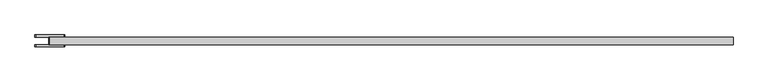
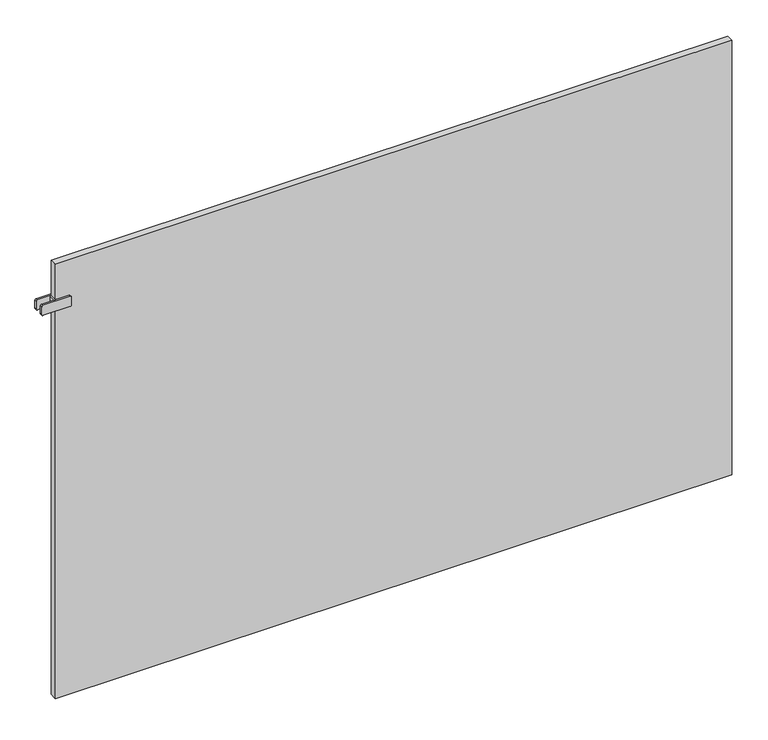
"""IFC4 building model written with IfcOpenShell, lengths in millimetres: plate geometry."""

from ifc_helpers import new_model, si_unit, point, frame, frame_2d, origin, origin_with_axes, place, context, project, spatial, polyline, circle_curve, trimmed, segment, composite_curve, outline, extrude, source, transform, mapped, element, save


def plate_bf5393bc(model_context):
    return source(origin(), model_context, "Body", "SweptSolid", [
        extrude(outline(polyline([(-797.5000001, -8.75), (-797.5000001, 8.75), (-792.5000001, 8.75), (-792.5000001, -8.75), (-797.5000001, -8.75)])), frame((0.0, 0.0, 966.5), z_axis=(0.0, 0.0, 1.0), x_axis=(1.0, 0.0, 0.0)), (0.0, 0.0, 1.0), 25.0),
        extrude(outline(composite_curve([segment(trimmed(circle_curve(frame_2d((969.5, -763.0000001)), 3.0), [point((966.5, -763.0000001))], [point((969.5, -760.0000001))], False, "CARTESIAN"), True, "CONTINUOUS"), segment(polyline([(969.5, -760.0000001), (988.5, -760.0000001)]), True, "CONTINUOUS"), segment(trimmed(circle_curve(frame_2d((988.5, -763.0000001)), 3.0), [point((988.5, -760.0000001))], [point((991.5, -763.0000001))], False, "CARTESIAN"), True, "CONTINUOUS"), segment(polyline([(991.5, -763.0000001), (991.5, -827.0000001)]), True, "CONTINUOUS"), segment(trimmed(circle_curve(frame_2d((988.5, -827.0000001)), 3.0), [point((991.5, -827.0000001))], [point((988.5, -830.0000001))], False, "CARTESIAN"), True, "CONTINUOUS"), segment(polyline([(988.5, -830.0000001), (969.5, -830.0000001)]), True, "CONTINUOUS"), segment(trimmed(circle_curve(frame_2d((969.5, -827.0000001)), 3.0), [point((969.5, -830.0000001))], [point((966.5, -827.0000001))], False, "CARTESIAN"), True, "CONTINUOUS"), segment(polyline([(966.5, -827.0000001), (966.5, -763.0000001)]), True, "CONTINUOUS")], self_intersect=False)), frame((0.0, 8.75, 0.0), z_axis=(0.0, 1.0, 0.0), x_axis=(0.0, 0.0, 1.0)), (0.0, 0.0, 1.0), 5.0),
        extrude(outline(composite_curve([segment(trimmed(circle_curve(frame_2d((969.5, -763.0000001)), 3.0), [point((966.5, -763.0000001))], [point((969.5, -760.0000001))], False, "CARTESIAN"), True, "CONTINUOUS"), segment(polyline([(969.5, -760.0000001), (988.5, -760.0000001)]), True, "CONTINUOUS"), segment(trimmed(circle_curve(frame_2d((988.5, -763.0000001)), 3.0), [point((988.5, -760.0000001))], [point((991.5, -763.0000001))], False, "CARTESIAN"), True, "CONTINUOUS"), segment(polyline([(991.5, -763.0000001), (991.5, -827.0000001)]), True, "CONTINUOUS"), segment(trimmed(circle_curve(frame_2d((988.5, -827.0000001)), 3.0), [point((991.5, -827.0000001))], [point((988.5, -830.0000001))], False, "CARTESIAN"), True, "CONTINUOUS"), segment(polyline([(988.5, -830.0000001), (969.5, -830.0000001)]), True, "CONTINUOUS"), segment(trimmed(circle_curve(frame_2d((969.5, -827.0000001)), 3.0), [point((969.5, -830.0000001))], [point((966.5, -827.0000001))], False, "CARTESIAN"), True, "CONTINUOUS"), segment(polyline([(966.5, -827.0000001), (966.5, -763.0000001)]), True, "CONTINUOUS")], self_intersect=False)), frame((0.0, -13.75, 0.0), z_axis=(0.0, 1.0, 0.0), x_axis=(0.0, 0.0, 1.0)), (0.0, 0.0, 1.0), 5.0),
        extrude(outline(polyline([(795.0000001, 8.75), (795.0000001, -8.75), (-795.0000001, -8.75), (-795.0000001, 8.75), (795.0000001, 8.75)])), origin_with_axes(), (0.0, 0.0, 1.0), 1079.0),
    ])


if __name__ == "__main__":
    model = new_model("IFC4")
    model_context = context("Model", 3, world=origin())
    ifc_project = project(units=[si_unit("LENGTHUNIT", "METRE", prefix="MILLI")], contexts=[model_context])
    site = spatial("IfcSite", under=ifc_project)
    building = spatial("IfcBuilding", under=site)
    placement = place(None, origin())
    plate_shape = plate_bf5393bc(model_context)
    element("IfcPlate", 1, at=placement, inside=building, context=model_context, shape_type="MappedRepresentation", body=[
        mapped(plate_shape, transform((0.0, 0.0, 0.0), x_axis=(1.0, 0.0, 0.0), y_axis=(0.0, 1.0, 0.0), z_axis=(0.0, 0.0, 1.0))),
    ])
    save(model, "model.ifc")
